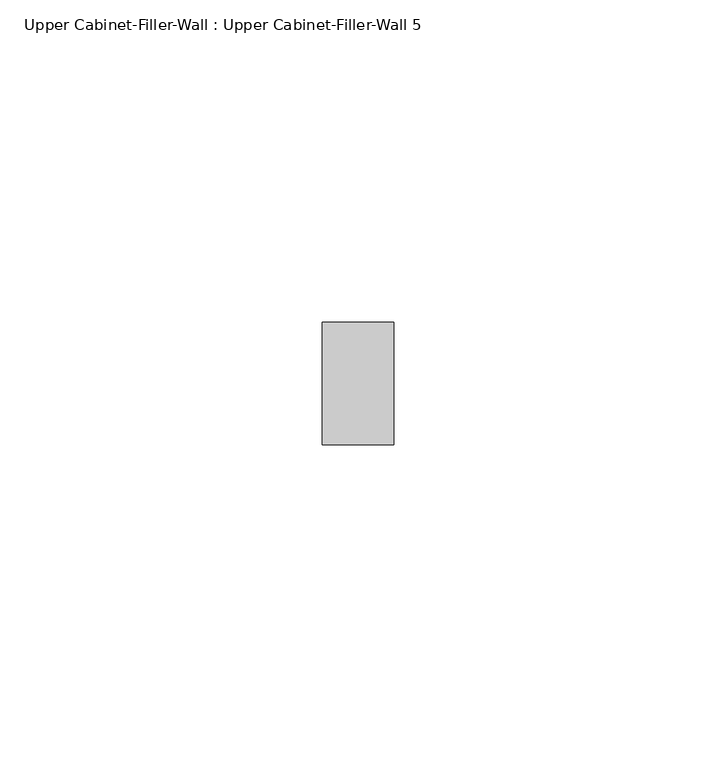
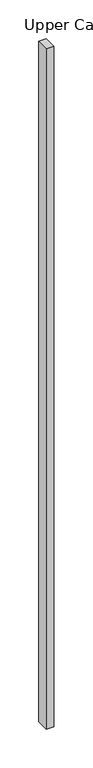
"""IFC4 building model written with IfcOpenShell, lengths in millimetres: furniture geometry, Upper Cabinet-Filler-Wall : Upper Cabinet-Filler-Wall 5."""

from ifc_helpers import new_model, si_unit, frame, origin, place, context, project, spatial, polyline, outline, extrude, source, transform, mapped, element, save


def upper_cabinet_filler_wall_upper_cabinet_filler_wall_5_08ca163c(model_context):
    return source(origin(), model_context, "Body", "SweptSolid", [
        extrude(outline(polyline([(24.2149128, 339.725), (24.2149128, 358.775), (35.3274128, 358.775), (35.3274128, 339.725), (24.2149128, 339.725)])), frame((0.0, 0.0, 1066.8), z_axis=(0.0, 0.0, 1.0), x_axis=(1.0, 0.0, 0.0)), (0.0, 0.0, 1.0), 1066.8),
    ])


if __name__ == "__main__":
    model = new_model("IFC4")
    model_context = context("Model", 3, world=origin())
    ifc_project = project(units=[si_unit("LENGTHUNIT", "METRE", prefix="MILLI")], contexts=[model_context])
    site = spatial("IfcSite", under=ifc_project)
    building = spatial("IfcBuilding", under=site)
    placement = place(None, origin())
    upper_cabinet_filler_wall_upper_cabinet_filler_wall_5_shape = upper_cabinet_filler_wall_upper_cabinet_filler_wall_5_08ca163c(model_context)
    element("IfcFurniture", 1, ObjectType="Upper Cabinet-Filler-Wall : Upper Cabinet-Filler-Wall 5", at=placement, inside=building, context=model_context, shape_type="MappedRepresentation", body=[
        mapped(upper_cabinet_filler_wall_upper_cabinet_filler_wall_5_shape, transform((0.0, 0.0, 0.0), x_axis=(1.0, 0.0, 0.0), y_axis=(0.0, 1.0, 0.0), z_axis=(0.0, 0.0, 1.0))),
    ])
    save(model, "model.ifc")
